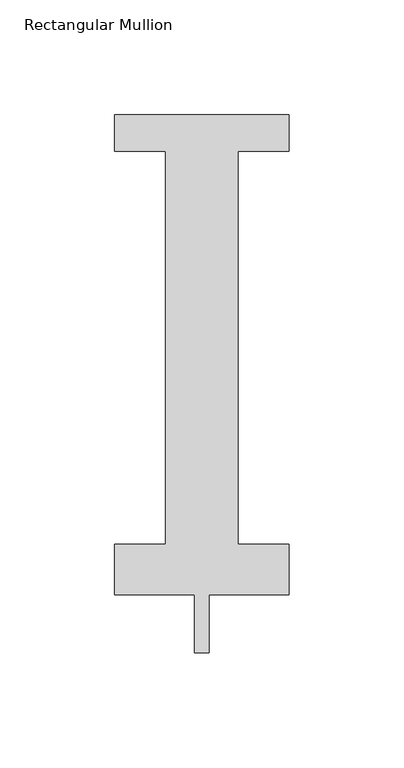
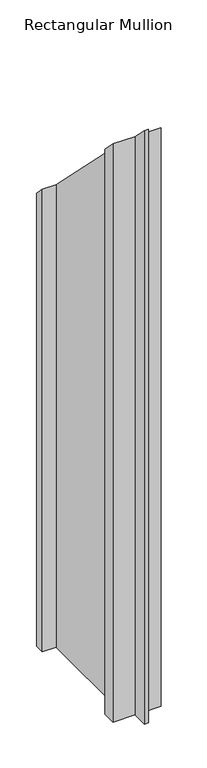
"""IFC4 building model written with IfcOpenShell, lengths in millimetres: member geometry, Rectangular Mullion."""

from ifc_helpers import new_model, si_unit, origin, place, context, project, spatial, faceted_brep, source, transform, mapped, element, save


def rectangular_mullion_e53d6dfc(model_context):
    return source(origin(), model_context, "Body", "Brep", [
        faceted_brep([(38.1, 221.996, -977.9), (38.1, 206.121, -977.9), (15.875, 206.121, -977.9), (15.875, 34.671, -977.9), (38.1, 34.671, -977.9), (38.1, 12.7, -977.9), (3.175, 12.7, -977.9), (3.175, -12.7, -977.9), (-3.175, -12.7, -977.9), (-3.175, 12.7, -977.9), (-38.1, 12.7, -977.9), (-38.1, 34.671, -977.9), (-15.875, 34.671, -977.9), (-15.875, 206.121, -977.9), (-38.1, 206.121, -977.9), (-38.1, 221.996, -977.9), (-38.1, 221.996, -221.996), (38.1, 221.996, -221.996), (-38.1, 206.121, -206.121), (-15.875, 206.121, -206.121), (-15.875, 34.671, -34.671), (-38.1, 34.671, -34.671), (-38.1, 12.7, -12.7), (-3.175, 12.7, -12.7), (-3.175, -12.7, 12.7), (3.175, -12.7, 12.7), (3.175, 12.7, -12.7), (38.1, 12.7, -12.7), (38.1, 34.671, -34.671), (15.875, 34.671, -34.671), (15.875, 206.121, -206.121), (38.1, 206.121, -206.121)], [[[0, 1, 2, 3, 4, 5, 6, 7, 8, 9, 10, 11, 12, 13, 14, 15]], [[16, 17, 0, 15]], [[18, 16, 15, 14]], [[19, 18, 14, 13]], [[20, 19, 13, 12]], [[21, 20, 12, 11]], [[22, 21, 11, 10]], [[23, 22, 10, 9]], [[24, 23, 9, 8]], [[25, 24, 8, 7]], [[26, 25, 7, 6]], [[27, 26, 6, 5]], [[28, 27, 5, 4]], [[29, 28, 4, 3]], [[30, 29, 3, 2]], [[31, 30, 2, 1]], [[17, 31, 1, 0]], [[17, 16, 18, 19, 20, 21, 22, 23, 24, 25, 26, 27, 28, 29, 30, 31]]]),
    ])


if __name__ == "__main__":
    model = new_model("IFC4")
    model_context = context("Model", 3, world=origin())
    ifc_project = project(units=[si_unit("LENGTHUNIT", "METRE", prefix="MILLI")], contexts=[model_context])
    site = spatial("IfcSite", under=ifc_project)
    building = spatial("IfcBuilding", under=site)
    placement = place(None, origin())
    rectangular_mullion_shape = rectangular_mullion_e53d6dfc(model_context)
    element("IfcMember", 1, ObjectType="Rectangular Mullion", at=placement, inside=building, context=model_context, shape_type="MappedRepresentation", body=[
        mapped(rectangular_mullion_shape, transform((0.0, 0.0, 0.0), x_axis=(1.0, 0.0, 0.0), y_axis=(0.0, 1.0, 0.0), z_axis=(0.0, 0.0, 1.0))),
    ])
    save(model, "model.ifc")
